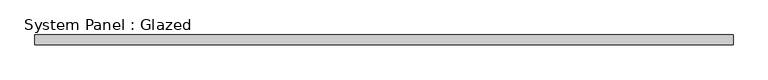
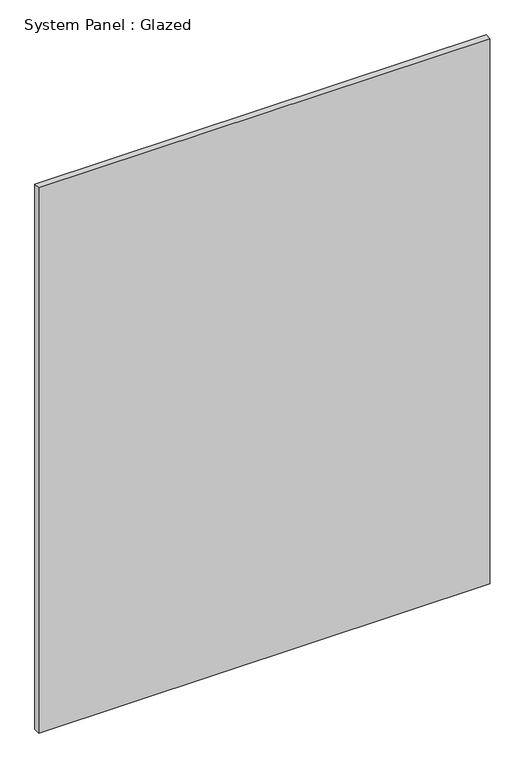
"""IFC4 building model written with IfcOpenShell, lengths in millimetres: plate geometry, System Panel : Glazed."""

from ifc_helpers import new_model, si_unit, origin, origin_with_axes, place, context, project, spatial, polyline, outline, extrude, source, transform, mapped, element, save


def system_panel_glazed_5c5b3462(model_context):
    return source(origin(), model_context, "Body", "SweptSolid", [
        extrude(outline(polyline([(900.1932356, 24.5), (-900.1932356, 24.5), (-900.1932356, 49.5), (900.1932356, 49.5), (900.1932356, 24.5)])), origin_with_axes(), (0.0, 0.0, 1.0), 2300.0),
    ])


if __name__ == "__main__":
    model = new_model("IFC4")
    model_context = context("Model", 3, world=origin())
    ifc_project = project(units=[si_unit("LENGTHUNIT", "METRE", prefix="MILLI")], contexts=[model_context])
    site = spatial("IfcSite", under=ifc_project)
    building = spatial("IfcBuilding", under=site)
    placement = place(None, origin())
    system_panel_glazed_shape = system_panel_glazed_5c5b3462(model_context)
    element("IfcPlate", 1, ObjectType="System Panel : Glazed", at=placement, inside=building, context=model_context, shape_type="MappedRepresentation", body=[
        mapped(system_panel_glazed_shape, transform((0.0, 0.0, 0.0), x_axis=(1.0, 0.0, 0.0), y_axis=(0.0, 1.0, 0.0), z_axis=(0.0, 0.0, 1.0))),
    ])
    save(model, "model.ifc")
